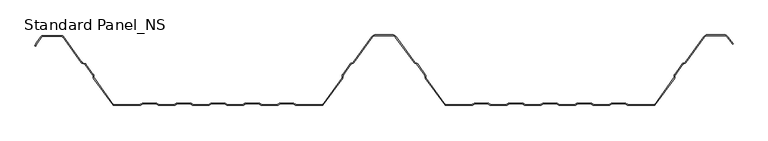
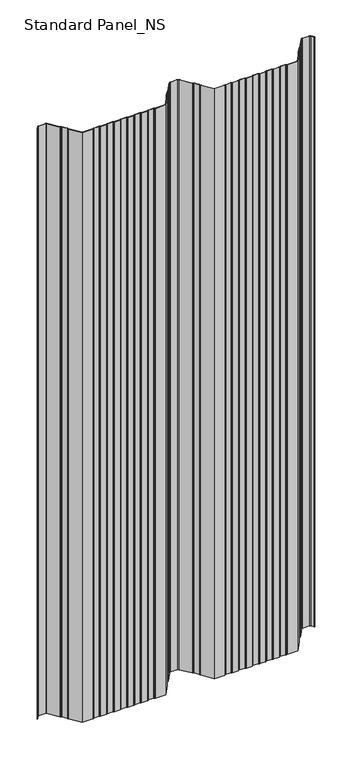
"""IFC4 building model written with IfcOpenShell, lengths in millimetres: proxy geometry, Standard Panel_NS."""

from ifc_helpers import new_model, si_unit, point, frame, frame_2d, origin, place, context, project, spatial, polyline, circle_curve, trimmed, segment, composite_curve, outline, extrude, source, transform, mapped, element, save


def standard_panel_ns_dc943c6c(model_context):
    return source(origin(), model_context, "Body", "SweptSolid", [
        extrude(outline(composite_curve([segment(trimmed(circle_curve(frame_2d((-475.5977664, 97.2513951)), 2.7486049), [point((-477.8230656, 98.864737))], [point((-475.5977664, 100.0))], False, "CARTESIAN"), True, "CONTINUOUS"), segment(polyline([(-475.5977664, 100.0), (-448.4022336, 100.0)]), True, "CONTINUOUS"), segment(trimmed(circle_curve(frame_2d((-448.4022336, 97.2513951)), 2.7486049), [point((-448.4022336, 100.0))], [point((-446.1769344, 98.864737))], False, "CARTESIAN"), True, "CONTINUOUS"), segment(polyline([(-446.1769344, 98.864737), (-419.3812187, 61.9051293)]), True, "CONTINUOUS"), segment(trimmed(circle_curve(frame_2d((-417.96553, 62.9315037)), 1.7486049), [point((-419.3812187, 61.9051293))], [point((-418.5741242, 61.2922257))], True, "CARTESIAN"), True, "CONTINUOUS"), segment(polyline([(-418.5741242, 61.2922257), (-414.780451, 59.8837962)]), True, "CONTINUOUS"), segment(trimmed(circle_curve(frame_2d((-415.7370908, 57.3070406)), 2.7486049), [point((-414.780451, 59.8837962))], [point((-413.5117915, 58.9203825))], False, "CARTESIAN"), True, "CONTINUOUS"), segment(polyline([(-413.5117915, 58.9203825), (-402.7622541, 44.0934344)]), True, "CONTINUOUS"), segment(trimmed(circle_curve(frame_2d((-404.9875533, 42.4800924)), 2.7486049), [point((-402.7622541, 44.0934344))], [point((-402.2410714, 42.5881001))], False, "CARTESIAN"), True, "CONTINUOUS"), segment(polyline([(-402.2410714, 42.5881001), (-402.152896, 40.3459275)]), True, "CONTINUOUS"), segment(trimmed(circle_curve(frame_2d((-400.4056417, 40.4146398)), 1.7486049), [point((-402.152896, 40.3459275))], [point((-401.8213305, 39.3882654))], True, "CARTESIAN"), True, "CONTINUOUS"), segment(polyline([(-401.8213305, 39.3882654), (-373.9898381, 1.0), (-336.1655439, 1.0)]), True, "CONTINUOUS"), segment(trimmed(circle_curve(frame_2d((-336.1655439, 2.7486049)), 1.7486049), [point((-336.1655439, 1.0))], [point((-335.1955925, 1.2936777))], True, "CARTESIAN"), True, "CONTINUOUS"), segment(polyline([(-335.1955925, 1.2936777), (-333.32855, 2.5383726)]), True, "CONTINUOUS"), segment(trimmed(circle_curve(frame_2d((-331.8038984, 0.2513951)), 2.7486049), [point((-333.32855, 2.5383726))], [point((-331.8038984, 3.0))], False, "CARTESIAN"), True, "CONTINUOUS"), segment(polyline([(-331.8038984, 3.0), (-312.8627683, 3.0)]), True, "CONTINUOUS"), segment(trimmed(circle_curve(frame_2d((-312.8627683, 0.2513951)), 2.7486049), [point((-312.8627683, 3.0))], [point((-311.3381166, 2.5383726))], False, "CARTESIAN"), True, "CONTINUOUS"), segment(polyline([(-311.3381166, 2.5383726), (-309.4710742, 1.2936777)]), True, "CONTINUOUS"), segment(trimmed(circle_curve(frame_2d((-308.5011227, 2.7486049)), 1.7486049), [point((-309.4710742, 1.2936777))], [point((-308.5011227, 1.0))], True, "CARTESIAN"), True, "CONTINUOUS"), segment(polyline([(-308.5011227, 1.0), (-286.9988773, 1.0)]), True, "CONTINUOUS"), segment(trimmed(circle_curve(frame_2d((-286.9988773, 2.7486049)), 1.7486049), [point((-286.9988773, 1.0))], [point((-286.0289258, 1.2936777))], True, "CARTESIAN"), True, "CONTINUOUS"), segment(polyline([(-286.0289258, 1.2936777), (-284.1618834, 2.5383726)]), True, "CONTINUOUS"), segment(trimmed(circle_curve(frame_2d((-282.6372317, 0.2513951)), 2.7486049), [point((-284.1618834, 2.5383726))], [point((-282.6372317, 3.0))], False, "CARTESIAN"), True, "CONTINUOUS"), segment(polyline([(-282.6372317, 3.0), (-263.6961016, 3.0)]), True, "CONTINUOUS"), segment(trimmed(circle_curve(frame_2d((-263.6961016, 0.2513951)), 2.7486049), [point((-263.6961016, 3.0))], [point((-262.17145, 2.5383726))], False, "CARTESIAN"), True, "CONTINUOUS"), segment(polyline([(-262.17145, 2.5383726), (-260.3044075, 1.2936777)]), True, "CONTINUOUS"), segment(trimmed(circle_curve(frame_2d((-259.3344561, 2.7486049)), 1.7486049), [point((-260.3044075, 1.2936777))], [point((-259.3344561, 1.0))], True, "CARTESIAN"), True, "CONTINUOUS"), segment(polyline([(-259.3344561, 1.0), (-237.8322106, 1.0)]), True, "CONTINUOUS"), segment(trimmed(circle_curve(frame_2d((-237.8322106, 2.7486049)), 1.7486049), [point((-237.8322106, 1.0))], [point((-236.8622591, 1.2936777))], True, "CARTESIAN"), True, "CONTINUOUS"), segment(polyline([(-236.8622591, 1.2936777), (-234.9952167, 2.5383726)]), True, "CONTINUOUS"), segment(trimmed(circle_curve(frame_2d((-233.470565, 0.2513951)), 2.7486049), [point((-234.9952167, 2.5383726))], [point((-233.470565, 3.0))], False, "CARTESIAN"), True, "CONTINUOUS"), segment(polyline([(-233.470565, 3.0), (-214.529435, 3.0)]), True, "CONTINUOUS"), segment(trimmed(circle_curve(frame_2d((-214.529435, 0.2513951)), 2.7486049), [point((-214.529435, 3.0))], [point((-213.0047833, 2.5383726))], False, "CARTESIAN"), True, "CONTINUOUS"), segment(polyline([(-213.0047833, 2.5383726), (-211.1377409, 1.2936777)]), True, "CONTINUOUS"), segment(trimmed(circle_curve(frame_2d((-210.1677894, 2.7486049)), 1.7486049), [point((-211.1377409, 1.2936777))], [point((-210.1677894, 1.0))], True, "CARTESIAN"), True, "CONTINUOUS"), segment(polyline([(-210.1677894, 1.0), (-188.6655439, 1.0)]), True, "CONTINUOUS"), segment(trimmed(circle_curve(frame_2d((-188.6655439, 2.7486049)), 1.7486049), [point((-188.6655439, 1.0))], [point((-187.6955925, 1.2936777))], True, "CARTESIAN"), True, "CONTINUOUS"), segment(polyline([(-187.6955925, 1.2936777), (-185.82855, 2.5383726)]), True, "CONTINUOUS"), segment(trimmed(circle_curve(frame_2d((-184.3038984, 0.2513951)), 2.7486049), [point((-185.82855, 2.5383726))], [point((-184.3038984, 3.0))], False, "CARTESIAN"), True, "CONTINUOUS"), segment(polyline([(-184.3038984, 3.0), (-165.3627683, 3.0)]), True, "CONTINUOUS"), segment(trimmed(circle_curve(frame_2d((-165.3627683, 0.2513951)), 2.7486049), [point((-165.3627683, 3.0))], [point((-163.8381166, 2.5383726))], False, "CARTESIAN"), True, "CONTINUOUS"), segment(polyline([(-163.8381166, 2.5383726), (-161.9710742, 1.2936777)]), True, "CONTINUOUS"), segment(trimmed(circle_curve(frame_2d((-161.0011227, 2.7486049)), 1.7486049), [point((-161.9710742, 1.2936777))], [point((-161.0011227, 1.0))], True, "CARTESIAN"), True, "CONTINUOUS"), segment(polyline([(-161.0011227, 1.0), (-139.4988773, 1.0)]), True, "CONTINUOUS"), segment(trimmed(circle_curve(frame_2d((-139.4988773, 2.7486049)), 1.7486049), [point((-139.4988773, 1.0))], [point((-138.5289258, 1.2936777))], True, "CARTESIAN"), True, "CONTINUOUS"), segment(polyline([(-138.5289258, 1.2936777), (-136.6618834, 2.5383726)]), True, "CONTINUOUS"), segment(trimmed(circle_curve(frame_2d((-135.1372317, 0.2513951)), 2.7486049), [point((-136.6618834, 2.5383726))], [point((-135.1372317, 3.0))], False, "CARTESIAN"), True, "CONTINUOUS"), segment(polyline([(-135.1372317, 3.0), (-116.1961016, 3.0)]), True, "CONTINUOUS"), segment(trimmed(circle_curve(frame_2d((-116.1961016, 0.2513951)), 2.7486049), [point((-116.1961016, 3.0))], [point((-114.67145, 2.5383726))], False, "CARTESIAN"), True, "CONTINUOUS"), segment(polyline([(-114.67145, 2.5383726), (-112.8044075, 1.2936777)]), True, "CONTINUOUS"), segment(trimmed(circle_curve(frame_2d((-111.8344561, 2.7486049)), 1.7486049), [point((-112.8044075, 1.2936777))], [point((-111.8344561, 1.0))], True, "CARTESIAN"), True, "CONTINUOUS"), segment(polyline([(-111.8344561, 1.0), (-74.0101619, 1.0), (-46.1786695, 39.3882654)]), True, "CONTINUOUS"), segment(trimmed(circle_curve(frame_2d((-47.5943583, 40.4146398)), 1.7486049), [point((-46.1786695, 39.3882654))], [point((-45.847104, 40.3459275))], True, "CARTESIAN"), True, "CONTINUOUS"), segment(polyline([(-45.847104, 40.3459275), (-45.7589286, 42.5881001)]), True, "CONTINUOUS"), segment(trimmed(circle_curve(frame_2d((-43.0124467, 42.4800924)), 2.7486049), [point((-45.7589286, 42.5881001))], [point((-45.2377459, 44.0934344))], False, "CARTESIAN"), True, "CONTINUOUS"), segment(polyline([(-45.2377459, 44.0934344), (-34.1199168, 59.4283711)]), True, "CONTINUOUS"), segment(trimmed(circle_curve(frame_2d((-31.8946175, 57.8150291)), 2.7486049), [point((-34.1199168, 59.4283711))], [point((-32.8512573, 60.3917847))], False, "CARTESIAN"), True, "CONTINUOUS"), segment(polyline([(-32.8512573, 60.3917847), (-30.747646, 61.1727662)]), True, "CONTINUOUS"), segment(trimmed(circle_curve(frame_2d((-31.3562402, 62.8120441)), 1.7486049), [point((-30.747646, 61.1727662))], [point((-29.9405514, 61.7856697))], True, "CARTESIAN"), True, "CONTINUOUS"), segment(polyline([(-29.9405514, 61.7856697), (-3.306853, 98.5218054)]), True, "CONTINUOUS"), segment(trimmed(circle_curve(frame_2d((1.5508097, 95.0)), 6.0), [point((-3.306853, 98.5218054))], [point((1.5508097, 101.0))], False, "CARTESIAN"), True, "CONTINUOUS"), segment(polyline([(1.5508097, 101.0), (26.4491903, 101.0)]), True, "CONTINUOUS"), segment(trimmed(circle_curve(frame_2d((26.4491903, 95.0)), 6.0), [point((26.4491903, 101.0))], [point((31.306853, 98.5218054))], False, "CARTESIAN"), True, "CONTINUOUS"), segment(polyline([(31.306853, 98.5218054), (57.9405514, 61.7856697)]), True, "CONTINUOUS"), segment(trimmed(circle_curve(frame_2d((59.3562402, 62.8120441)), 1.7486049), [point((57.9405514, 61.7856697))], [point((58.747646, 61.1727662))], True, "CARTESIAN"), True, "CONTINUOUS"), segment(polyline([(58.747646, 61.1727662), (60.8512573, 60.3917847)]), True, "CONTINUOUS"), segment(trimmed(circle_curve(frame_2d((59.8946175, 57.8150291)), 2.7486049), [point((60.8512573, 60.3917847))], [point((62.1199168, 59.4283711))], False, "CARTESIAN"), True, "CONTINUOUS"), segment(polyline([(62.1199168, 59.4283711), (73.2377459, 44.0934344)]), True, "CONTINUOUS"), segment(trimmed(circle_curve(frame_2d((71.0124467, 42.4800924)), 2.7486049), [point((73.2377459, 44.0934344))], [point((73.7589286, 42.5881001))], False, "CARTESIAN"), True, "CONTINUOUS"), segment(polyline([(73.7589286, 42.5881001), (73.847104, 40.3459275)]), True, "CONTINUOUS"), segment(trimmed(circle_curve(frame_2d((75.5943583, 40.4146398)), 1.7486049), [point((73.847104, 40.3459275))], [point((74.1786695, 39.3882654))], True, "CARTESIAN"), True, "CONTINUOUS"), segment(polyline([(74.1786695, 39.3882654), (102.0101619, 1.0), (139.8344561, 1.0)]), True, "CONTINUOUS"), segment(trimmed(circle_curve(frame_2d((139.8344561, 2.7486049)), 1.7486049), [point((139.8344561, 1.0))], [point((140.8044075, 1.2936777))], True, "CARTESIAN"), True, "CONTINUOUS"), segment(polyline([(140.8044075, 1.2936777), (142.67145, 2.5383726)]), True, "CONTINUOUS"), segment(trimmed(circle_curve(frame_2d((144.1961016, 0.2513951)), 2.7486049), [point((142.67145, 2.5383726))], [point((144.1961016, 3.0))], False, "CARTESIAN"), True, "CONTINUOUS"), segment(polyline([(144.1961016, 3.0), (163.1372317, 3.0)]), True, "CONTINUOUS"), segment(trimmed(circle_curve(frame_2d((163.1372317, 0.2513951)), 2.7486049), [point((163.1372317, 3.0))], [point((164.6618834, 2.5383726))], False, "CARTESIAN"), True, "CONTINUOUS"), segment(polyline([(164.6618834, 2.5383726), (166.5289258, 1.2936777)]), True, "CONTINUOUS"), segment(trimmed(circle_curve(frame_2d((167.4988773, 2.7486049)), 1.7486049), [point((166.5289258, 1.2936777))], [point((167.4988773, 1.0))], True, "CARTESIAN"), True, "CONTINUOUS"), segment(polyline([(167.4988773, 1.0), (189.0011227, 1.0)]), True, "CONTINUOUS"), segment(trimmed(circle_curve(frame_2d((189.0011227, 2.7486049)), 1.7486049), [point((189.0011227, 1.0))], [point((189.9710742, 1.2936777))], True, "CARTESIAN"), True, "CONTINUOUS"), segment(polyline([(189.9710742, 1.2936777), (191.8381166, 2.5383726)]), True, "CONTINUOUS"), segment(trimmed(circle_curve(frame_2d((193.3627683, 0.2513951)), 2.7486049), [point((191.8381166, 2.5383726))], [point((193.3627683, 3.0))], False, "CARTESIAN"), True, "CONTINUOUS"), segment(polyline([(193.3627683, 3.0), (212.3038984, 3.0)]), True, "CONTINUOUS"), segment(trimmed(circle_curve(frame_2d((212.3038984, 0.2513951)), 2.7486049), [point((212.3038984, 3.0))], [point((213.82855, 2.5383726))], False, "CARTESIAN"), True, "CONTINUOUS"), segment(polyline([(213.82855, 2.5383726), (215.6955925, 1.2936777)]), True, "CONTINUOUS"), segment(trimmed(circle_curve(frame_2d((216.6655439, 2.7486049)), 1.7486049), [point((215.6955925, 1.2936777))], [point((216.6655439, 1.0))], True, "CARTESIAN"), True, "CONTINUOUS"), segment(polyline([(216.6655439, 1.0), (238.1677894, 1.0)]), True, "CONTINUOUS"), segment(trimmed(circle_curve(frame_2d((238.1677894, 2.7486049)), 1.7486049), [point((238.1677894, 1.0))], [point((239.1377409, 1.2936777))], True, "CARTESIAN"), True, "CONTINUOUS"), segment(polyline([(239.1377409, 1.2936777), (241.0047833, 2.5383726)]), True, "CONTINUOUS"), segment(trimmed(circle_curve(frame_2d((242.529435, 0.2513951)), 2.7486049), [point((241.0047833, 2.5383726))], [point((242.529435, 3.0))], False, "CARTESIAN"), True, "CONTINUOUS"), segment(polyline([(242.529435, 3.0), (261.470565, 3.0)]), True, "CONTINUOUS"), segment(trimmed(circle_curve(frame_2d((261.470565, 0.2513951)), 2.7486049), [point((261.470565, 3.0))], [point((262.9952167, 2.5383726))], False, "CARTESIAN"), True, "CONTINUOUS"), segment(polyline([(262.9952167, 2.5383726), (264.8622591, 1.2936777)]), True, "CONTINUOUS"), segment(trimmed(circle_curve(frame_2d((265.8322106, 2.7486049)), 1.7486049), [point((264.8622591, 1.2936777))], [point((265.8322106, 1.0))], True, "CARTESIAN"), True, "CONTINUOUS"), segment(polyline([(265.8322106, 1.0), (287.3344561, 1.0)]), True, "CONTINUOUS"), segment(trimmed(circle_curve(frame_2d((287.3344561, 2.7486049)), 1.7486049), [point((287.3344561, 1.0))], [point((288.3044075, 1.2936777))], True, "CARTESIAN"), True, "CONTINUOUS"), segment(polyline([(288.3044075, 1.2936777), (290.17145, 2.5383726)]), True, "CONTINUOUS"), segment(trimmed(circle_curve(frame_2d((291.6961016, 0.2513951)), 2.7486049), [point((290.17145, 2.5383726))], [point((291.6961016, 3.0))], False, "CARTESIAN"), True, "CONTINUOUS"), segment(polyline([(291.6961016, 3.0), (310.6372317, 3.0)]), True, "CONTINUOUS"), segment(trimmed(circle_curve(frame_2d((310.6372317, 0.2513951)), 2.7486049), [point((310.6372317, 3.0))], [point((312.1618834, 2.5383726))], False, "CARTESIAN"), True, "CONTINUOUS"), segment(polyline([(312.1618834, 2.5383726), (314.0289258, 1.2936777)]), True, "CONTINUOUS"), segment(trimmed(circle_curve(frame_2d((314.9988773, 2.7486049)), 1.7486049), [point((314.0289258, 1.2936777))], [point((314.9988773, 1.0))], True, "CARTESIAN"), True, "CONTINUOUS"), segment(polyline([(314.9988773, 1.0), (336.5011227, 1.0)]), True, "CONTINUOUS"), segment(trimmed(circle_curve(frame_2d((336.5011227, 2.7486049)), 1.7486049), [point((336.5011227, 1.0))], [point((337.4710742, 1.2936777))], True, "CARTESIAN"), True, "CONTINUOUS"), segment(polyline([(337.4710742, 1.2936777), (339.3381166, 2.5383726)]), True, "CONTINUOUS"), segment(trimmed(circle_curve(frame_2d((340.8627683, 0.2513951)), 2.7486049), [point((339.3381166, 2.5383726))], [point((340.8627683, 3.0))], False, "CARTESIAN"), True, "CONTINUOUS"), segment(polyline([(340.8627683, 3.0), (359.8038984, 3.0)]), True, "CONTINUOUS"), segment(trimmed(circle_curve(frame_2d((359.8038984, 0.2513951)), 2.7486049), [point((359.8038984, 3.0))], [point((361.32855, 2.5383726))], False, "CARTESIAN"), True, "CONTINUOUS"), segment(polyline([(361.32855, 2.5383726), (363.1955925, 1.2936777)]), True, "CONTINUOUS"), segment(trimmed(circle_curve(frame_2d((364.1655439, 2.7486049)), 1.7486049), [point((363.1955925, 1.2936777))], [point((364.1655439, 1.0))], True, "CARTESIAN"), True, "CONTINUOUS"), segment(polyline([(364.1655439, 1.0), (401.9898381, 1.0), (429.8213305, 39.3882654)]), True, "CONTINUOUS"), segment(trimmed(circle_curve(frame_2d((428.4056417, 40.4146398)), 1.7486049), [point((429.8213305, 39.3882654))], [point((430.152896, 40.3459275))], True, "CARTESIAN"), True, "CONTINUOUS"), segment(polyline([(430.152896, 40.3459275), (430.2410714, 42.5881001)]), True, "CONTINUOUS"), segment(trimmed(circle_curve(frame_2d((432.9875533, 42.4800924)), 2.7486049), [point((430.2410714, 42.5881001))], [point((430.7622541, 44.0934344))], False, "CARTESIAN"), True, "CONTINUOUS"), segment(polyline([(430.7622541, 44.0934344), (441.8800832, 59.4283711)]), True, "CONTINUOUS"), segment(trimmed(circle_curve(frame_2d((444.1053825, 57.8150291)), 2.7486049), [point((441.8800832, 59.4283711))], [point((443.1487427, 60.3917847))], False, "CARTESIAN"), True, "CONTINUOUS"), segment(polyline([(443.1487427, 60.3917847), (445.252354, 61.1727662)]), True, "CONTINUOUS"), segment(trimmed(circle_curve(frame_2d((444.6437598, 62.8120441)), 1.7486049), [point((445.252354, 61.1727662))], [point((446.0594486, 61.7856697))], True, "CARTESIAN"), True, "CONTINUOUS"), segment(polyline([(446.0594486, 61.7856697), (472.693147, 98.5218054)]), True, "CONTINUOUS"), segment(trimmed(circle_curve(frame_2d((477.5508097, 95.0)), 6.0), [point((472.693147, 98.5218054))], [point((477.5508097, 101.0))], False, "CARTESIAN"), True, "CONTINUOUS"), segment(polyline([(477.5508097, 101.0), (502.4491903, 101.0)]), True, "CONTINUOUS"), segment(trimmed(circle_curve(frame_2d((502.4491903, 95.0)), 6.0), [point((502.4491903, 101.0))], [point((507.306853, 98.5218054))], False, "CARTESIAN"), True, "CONTINUOUS"), segment(polyline([(507.306853, 98.5218054), (514.614124, 88.4428109), (513.8045136, 87.8558433), (506.4972426, 97.9348379)]), True, "CONTINUOUS"), segment(trimmed(circle_curve(frame_2d((502.4491903, 95.0)), 5.0), [point((506.4972426, 97.9348379))], [point((502.4491903, 100.0))], True, "CARTESIAN"), True, "CONTINUOUS"), segment(polyline([(502.4491903, 100.0), (477.5508097, 100.0)]), True, "CONTINUOUS"), segment(trimmed(circle_curve(frame_2d((477.5508097, 95.0)), 5.0), [point((477.5508097, 100.0))], [point((473.5027574, 97.9348379))], True, "CARTESIAN"), True, "CONTINUOUS"), segment(polyline([(473.5027574, 97.9348379), (446.8690591, 61.1987022)]), True, "CONTINUOUS"), segment(trimmed(circle_curve(frame_2d((444.6437598, 62.8120441)), 2.7486049), [point((446.8690591, 61.1987022))], [point((445.6003996, 60.2352885))], False, "CARTESIAN"), True, "CONTINUOUS"), segment(polyline([(445.6003996, 60.2352885), (443.4967883, 59.4543071)]), True, "CONTINUOUS"), segment(trimmed(circle_curve(frame_2d((444.1053825, 57.8150291)), 1.7486049), [point((443.4967883, 59.4543071))], [point((442.6896937, 58.8414035))], True, "CARTESIAN"), True, "CONTINUOUS"), segment(polyline([(442.6896937, 58.8414035), (431.5718646, 43.5064668)]), True, "CONTINUOUS"), segment(trimmed(circle_curve(frame_2d((432.9875533, 42.4800924)), 1.7486049), [point((431.5718646, 43.5064668))], [point((431.240299, 42.5488047))], True, "CARTESIAN"), True, "CONTINUOUS"), segment(polyline([(431.240299, 42.5488047), (431.1521237, 40.3066321)]), True, "CONTINUOUS"), segment(trimmed(circle_curve(frame_2d((428.4056417, 40.4146398)), 2.7486049), [point((431.1521237, 40.3066321))], [point((430.6309409, 38.8012978))], False, "CARTESIAN"), True, "CONTINUOUS"), segment(polyline([(430.6309409, 38.8012978), (402.5, 0.0), (364.1655439, 0.0)]), True, "CONTINUOUS"), segment(trimmed(circle_curve(frame_2d((364.1655439, 2.7486049)), 2.7486049), [point((364.1655439, 0.0))], [point((362.6408923, 0.4616274))], False, "CARTESIAN"), True, "CONTINUOUS"), segment(polyline([(362.6408923, 0.4616274), (360.7738498, 1.7063223)]), True, "CONTINUOUS"), segment(trimmed(circle_curve(frame_2d((359.8038984, 0.2513951)), 1.7486049), [point((360.7738498, 1.7063223))], [point((359.8038984, 2.0))], True, "CARTESIAN"), True, "CONTINUOUS"), segment(polyline([(359.8038984, 2.0), (340.8627683, 2.0)]), True, "CONTINUOUS"), segment(trimmed(circle_curve(frame_2d((340.8627683, 0.2513951)), 1.7486049), [point((340.8627683, 2.0))], [point((339.8928168, 1.7063223))], True, "CARTESIAN"), True, "CONTINUOUS"), segment(polyline([(339.8928168, 1.7063223), (338.0257744, 0.4616274)]), True, "CONTINUOUS"), segment(trimmed(circle_curve(frame_2d((336.5011227, 2.7486049)), 2.7486049), [point((338.0257744, 0.4616274))], [point((336.5011227, 0.0))], False, "CARTESIAN"), True, "CONTINUOUS"), segment(polyline([(336.5011227, 0.0), (314.9988773, 0.0)]), True, "CONTINUOUS"), segment(trimmed(circle_curve(frame_2d((314.9988773, 2.7486049)), 2.7486049), [point((314.9988773, 0.0))], [point((313.4742256, 0.4616274))], False, "CARTESIAN"), True, "CONTINUOUS"), segment(polyline([(313.4742256, 0.4616274), (311.6071832, 1.7063223)]), True, "CONTINUOUS"), segment(trimmed(circle_curve(frame_2d((310.6372317, 0.2513951)), 1.7486049), [point((311.6071832, 1.7063223))], [point((310.6372317, 2.0))], True, "CARTESIAN"), True, "CONTINUOUS"), segment(polyline([(310.6372317, 2.0), (291.6961016, 2.0)]), True, "CONTINUOUS"), segment(trimmed(circle_curve(frame_2d((291.6961016, 0.2513951)), 1.7486049), [point((291.6961016, 2.0))], [point((290.7261502, 1.7063223))], True, "CARTESIAN"), True, "CONTINUOUS"), segment(polyline([(290.7261502, 1.7063223), (288.8591077, 0.4616274)]), True, "CONTINUOUS"), segment(trimmed(circle_curve(frame_2d((287.3344561, 2.7486049)), 2.7486049), [point((288.8591077, 0.4616274))], [point((287.3344561, 0.0))], False, "CARTESIAN"), True, "CONTINUOUS"), segment(polyline([(287.3344561, 0.0), (265.8322106, 0.0)]), True, "CONTINUOUS"), segment(trimmed(circle_curve(frame_2d((265.8322106, 2.7486049)), 2.7486049), [point((265.8322106, 0.0))], [point((264.3075589, 0.4616274))], False, "CARTESIAN"), True, "CONTINUOUS"), segment(polyline([(264.3075589, 0.4616274), (262.4405165, 1.7063223)]), True, "CONTINUOUS"), segment(trimmed(circle_curve(frame_2d((261.470565, 0.2513951)), 1.7486049), [point((262.4405165, 1.7063223))], [point((261.470565, 2.0))], True, "CARTESIAN"), True, "CONTINUOUS"), segment(polyline([(261.470565, 2.0), (242.529435, 2.0)]), True, "CONTINUOUS"), segment(trimmed(circle_curve(frame_2d((242.529435, 0.2513951)), 1.7486049), [point((242.529435, 2.0))], [point((241.5594835, 1.7063223))], True, "CARTESIAN"), True, "CONTINUOUS"), segment(polyline([(241.5594835, 1.7063223), (239.6924411, 0.4616274)]), True, "CONTINUOUS"), segment(trimmed(circle_curve(frame_2d((238.1677894, 2.7486049)), 2.7486049), [point((239.6924411, 0.4616274))], [point((238.1677894, 0.0))], False, "CARTESIAN"), True, "CONTINUOUS"), segment(polyline([(238.1677894, 0.0), (216.6655439, 0.0)]), True, "CONTINUOUS"), segment(trimmed(circle_curve(frame_2d((216.6655439, 2.7486049)), 2.7486049), [point((216.6655439, 0.0))], [point((215.1408923, 0.4616274))], False, "CARTESIAN"), True, "CONTINUOUS"), segment(polyline([(215.1408923, 0.4616274), (213.2738498, 1.7063223)]), True, "CONTINUOUS"), segment(trimmed(circle_curve(frame_2d((212.3038984, 0.2513951)), 1.7486049), [point((213.2738498, 1.7063223))], [point((212.3038984, 2.0))], True, "CARTESIAN"), True, "CONTINUOUS"), segment(polyline([(212.3038984, 2.0), (193.3627683, 2.0)]), True, "CONTINUOUS"), segment(trimmed(circle_curve(frame_2d((193.3627683, 0.2513951)), 1.7486049), [point((193.3627683, 2.0))], [point((192.3928168, 1.7063223))], True, "CARTESIAN"), True, "CONTINUOUS"), segment(polyline([(192.3928168, 1.7063223), (190.5257744, 0.4616274)]), True, "CONTINUOUS"), segment(trimmed(circle_curve(frame_2d((189.0011227, 2.7486049)), 2.7486049), [point((190.5257744, 0.4616274))], [point((189.0011227, 0.0))], False, "CARTESIAN"), True, "CONTINUOUS"), segment(polyline([(189.0011227, 0.0), (167.4988773, 0.0)]), True, "CONTINUOUS"), segment(trimmed(circle_curve(frame_2d((167.4988773, 2.7486049)), 2.7486049), [point((167.4988773, 0.0))], [point((165.9742256, 0.4616274))], False, "CARTESIAN"), True, "CONTINUOUS"), segment(polyline([(165.9742256, 0.4616274), (164.1071832, 1.7063223)]), True, "CONTINUOUS"), segment(trimmed(circle_curve(frame_2d((163.1372317, 0.2513951)), 1.7486049), [point((164.1071832, 1.7063223))], [point((163.1372317, 2.0))], True, "CARTESIAN"), True, "CONTINUOUS"), segment(polyline([(163.1372317, 2.0), (144.1961016, 2.0)]), True, "CONTINUOUS"), segment(trimmed(circle_curve(frame_2d((144.1961016, 0.2513951)), 1.7486049), [point((144.1961016, 2.0))], [point((143.2261502, 1.7063223))], True, "CARTESIAN"), True, "CONTINUOUS"), segment(polyline([(143.2261502, 1.7063223), (141.3591077, 0.4616274)]), True, "CONTINUOUS"), segment(trimmed(circle_curve(frame_2d((139.8344561, 2.7486049)), 2.7486049), [point((141.3591077, 0.4616274))], [point((139.8344561, 0.0))], False, "CARTESIAN"), True, "CONTINUOUS"), segment(polyline([(139.8344561, 0.0), (101.5, 0.0), (73.3690591, 38.8012978)]), True, "CONTINUOUS"), segment(trimmed(circle_curve(frame_2d((75.5943583, 40.4146398)), 2.7486049), [point((73.3690591, 38.8012978))], [point((72.8478763, 40.3066321))], False, "CARTESIAN"), True, "CONTINUOUS"), segment(polyline([(72.8478763, 40.3066321), (72.759701, 42.5488047)]), True, "CONTINUOUS"), segment(trimmed(circle_curve(frame_2d((71.0124467, 42.4800924)), 1.7486049), [point((72.759701, 42.5488047))], [point((72.4281354, 43.5064668))], True, "CARTESIAN"), True, "CONTINUOUS"), segment(polyline([(72.4281354, 43.5064668), (61.3103063, 58.8414035)]), True, "CONTINUOUS"), segment(trimmed(circle_curve(frame_2d((59.8946175, 57.8150291)), 1.7486049), [point((61.3103063, 58.8414035))], [point((60.5032117, 59.4543071))], True, "CARTESIAN"), True, "CONTINUOUS"), segment(polyline([(60.5032117, 59.4543071), (58.3996004, 60.2352885)]), True, "CONTINUOUS"), segment(trimmed(circle_curve(frame_2d((59.3562402, 62.8120441)), 2.7486049), [point((58.3996004, 60.2352885))], [point((57.1309409, 61.1987022))], False, "CARTESIAN"), True, "CONTINUOUS"), segment(polyline([(57.1309409, 61.1987022), (30.4972426, 97.9348379)]), True, "CONTINUOUS"), segment(trimmed(circle_curve(frame_2d((26.4491903, 95.0)), 5.0), [point((30.4972426, 97.9348379))], [point((26.4491903, 100.0))], True, "CARTESIAN"), True, "CONTINUOUS"), segment(polyline([(26.4491903, 100.0), (1.5508097, 100.0)]), True, "CONTINUOUS"), segment(trimmed(circle_curve(frame_2d((1.5508097, 95.0)), 5.0), [point((1.5508097, 100.0))], [point((-2.4972426, 97.9348379))], True, "CARTESIAN"), True, "CONTINUOUS"), segment(polyline([(-2.4972426, 97.9348379), (-29.1309409, 61.1987022)]), True, "CONTINUOUS"), segment(trimmed(circle_curve(frame_2d((-31.3562402, 62.8120441)), 2.7486049), [point((-29.1309409, 61.1987022))], [point((-30.3996004, 60.2352885))], False, "CARTESIAN"), True, "CONTINUOUS"), segment(polyline([(-30.3996004, 60.2352885), (-32.5032117, 59.4543071)]), True, "CONTINUOUS"), segment(trimmed(circle_curve(frame_2d((-31.8946175, 57.8150291)), 1.7486049), [point((-32.5032117, 59.4543071))], [point((-33.3103063, 58.8414035))], True, "CARTESIAN"), True, "CONTINUOUS"), segment(polyline([(-33.3103063, 58.8414035), (-44.4281354, 43.5064668)]), True, "CONTINUOUS"), segment(trimmed(circle_curve(frame_2d((-43.0124467, 42.4800924)), 1.7486049), [point((-44.4281354, 43.5064668))], [point((-44.759701, 42.5488047))], True, "CARTESIAN"), True, "CONTINUOUS"), segment(polyline([(-44.759701, 42.5488047), (-44.8478763, 40.3066321)]), True, "CONTINUOUS"), segment(trimmed(circle_curve(frame_2d((-47.5943583, 40.4146398)), 2.7486049), [point((-44.8478763, 40.3066321))], [point((-45.3690591, 38.8012978))], False, "CARTESIAN"), True, "CONTINUOUS"), segment(polyline([(-45.3690591, 38.8012978), (-73.5, 0.0), (-111.8344561, 0.0)]), True, "CONTINUOUS"), segment(trimmed(circle_curve(frame_2d((-111.8344561, 2.7486049)), 2.7486049), [point((-111.8344561, 0.0))], [point((-113.3591077, 0.4616274))], False, "CARTESIAN"), True, "CONTINUOUS"), segment(polyline([(-113.3591077, 0.4616274), (-115.2261502, 1.7063223)]), True, "CONTINUOUS"), segment(trimmed(circle_curve(frame_2d((-116.1961016, 0.2513951)), 1.7486049), [point((-115.2261502, 1.7063223))], [point((-116.1961016, 2.0))], True, "CARTESIAN"), True, "CONTINUOUS"), segment(polyline([(-116.1961016, 2.0), (-135.1372317, 2.0)]), True, "CONTINUOUS"), segment(trimmed(circle_curve(frame_2d((-135.1372317, 0.2513951)), 1.7486049), [point((-135.1372317, 2.0))], [point((-136.1071832, 1.7063223))], True, "CARTESIAN"), True, "CONTINUOUS"), segment(polyline([(-136.1071832, 1.7063223), (-137.9742256, 0.4616274)]), True, "CONTINUOUS"), segment(trimmed(circle_curve(frame_2d((-139.4988773, 2.7486049)), 2.7486049), [point((-137.9742256, 0.4616274))], [point((-139.4988773, 0.0))], False, "CARTESIAN"), True, "CONTINUOUS"), segment(polyline([(-139.4988773, 0.0), (-161.0011227, 0.0)]), True, "CONTINUOUS"), segment(trimmed(circle_curve(frame_2d((-161.0011227, 2.7486049)), 2.7486049), [point((-161.0011227, 0.0))], [point((-162.5257744, 0.4616274))], False, "CARTESIAN"), True, "CONTINUOUS"), segment(polyline([(-162.5257744, 0.4616274), (-164.3928168, 1.7063223)]), True, "CONTINUOUS"), segment(trimmed(circle_curve(frame_2d((-165.3627683, 0.2513951)), 1.7486049), [point((-164.3928168, 1.7063223))], [point((-165.3627683, 2.0))], True, "CARTESIAN"), True, "CONTINUOUS"), segment(polyline([(-165.3627683, 2.0), (-184.3038984, 2.0)]), True, "CONTINUOUS"), segment(trimmed(circle_curve(frame_2d((-184.3038984, 0.2513951)), 1.7486049), [point((-184.3038984, 2.0))], [point((-185.2738498, 1.7063223))], True, "CARTESIAN"), True, "CONTINUOUS"), segment(polyline([(-185.2738498, 1.7063223), (-187.1408923, 0.4616274)]), True, "CONTINUOUS"), segment(trimmed(circle_curve(frame_2d((-188.6655439, 2.7486049)), 2.7486049), [point((-187.1408923, 0.4616274))], [point((-188.6655439, 0.0))], False, "CARTESIAN"), True, "CONTINUOUS"), segment(polyline([(-188.6655439, 0.0), (-210.1677894, 0.0)]), True, "CONTINUOUS"), segment(trimmed(circle_curve(frame_2d((-210.1677894, 2.7486049)), 2.7486049), [point((-210.1677894, 0.0))], [point((-211.6924411, 0.4616274))], False, "CARTESIAN"), True, "CONTINUOUS"), segment(polyline([(-211.6924411, 0.4616274), (-213.5594835, 1.7063223)]), True, "CONTINUOUS"), segment(trimmed(circle_curve(frame_2d((-214.529435, 0.2513951)), 1.7486049), [point((-213.5594835, 1.7063223))], [point((-214.529435, 2.0))], True, "CARTESIAN"), True, "CONTINUOUS"), segment(polyline([(-214.529435, 2.0), (-233.470565, 2.0)]), True, "CONTINUOUS"), segment(trimmed(circle_curve(frame_2d((-233.470565, 0.2513951)), 1.7486049), [point((-233.470565, 2.0))], [point((-234.4405165, 1.7063223))], True, "CARTESIAN"), True, "CONTINUOUS"), segment(polyline([(-234.4405165, 1.7063223), (-236.3075589, 0.4616274)]), True, "CONTINUOUS"), segment(trimmed(circle_curve(frame_2d((-237.8322106, 2.7486049)), 2.7486049), [point((-236.3075589, 0.4616274))], [point((-237.8322106, 0.0))], False, "CARTESIAN"), True, "CONTINUOUS"), segment(polyline([(-237.8322106, 0.0), (-259.3344561, 0.0)]), True, "CONTINUOUS"), segment(trimmed(circle_curve(frame_2d((-259.3344561, 2.7486049)), 2.7486049), [point((-259.3344561, 0.0))], [point((-260.8591077, 0.4616274))], False, "CARTESIAN"), True, "CONTINUOUS"), segment(polyline([(-260.8591077, 0.4616274), (-262.7261502, 1.7063223)]), True, "CONTINUOUS"), segment(trimmed(circle_curve(frame_2d((-263.6961016, 0.2513951)), 1.7486049), [point((-262.7261502, 1.7063223))], [point((-263.6961016, 2.0))], True, "CARTESIAN"), True, "CONTINUOUS"), segment(polyline([(-263.6961016, 2.0), (-282.6372317, 2.0)]), True, "CONTINUOUS"), segment(trimmed(circle_curve(frame_2d((-282.6372317, 0.2513951)), 1.7486049), [point((-282.6372317, 2.0))], [point((-283.6071832, 1.7063223))], True, "CARTESIAN"), True, "CONTINUOUS"), segment(polyline([(-283.6071832, 1.7063223), (-285.4742256, 0.4616274)]), True, "CONTINUOUS"), segment(trimmed(circle_curve(frame_2d((-286.9988773, 2.7486049)), 2.7486049), [point((-285.4742256, 0.4616274))], [point((-286.9988773, 0.0))], False, "CARTESIAN"), True, "CONTINUOUS"), segment(polyline([(-286.9988773, 0.0), (-308.5011227, 0.0)]), True, "CONTINUOUS"), segment(trimmed(circle_curve(frame_2d((-308.5011227, 2.7486049)), 2.7486049), [point((-308.5011227, 0.0))], [point((-310.0257744, 0.4616274))], False, "CARTESIAN"), True, "CONTINUOUS"), segment(polyline([(-310.0257744, 0.4616274), (-311.8928168, 1.7063223)]), True, "CONTINUOUS"), segment(trimmed(circle_curve(frame_2d((-312.8627683, 0.2513951)), 1.7486049), [point((-311.8928168, 1.7063223))], [point((-312.8627683, 2.0))], True, "CARTESIAN"), True, "CONTINUOUS"), segment(polyline([(-312.8627683, 2.0), (-331.8038984, 2.0)]), True, "CONTINUOUS"), segment(trimmed(circle_curve(frame_2d((-331.8038984, 0.2513951)), 1.7486049), [point((-331.8038984, 2.0))], [point((-332.7738498, 1.7063223))], True, "CARTESIAN"), True, "CONTINUOUS"), segment(polyline([(-332.7738498, 1.7063223), (-334.6408923, 0.4616274)]), True, "CONTINUOUS"), segment(trimmed(circle_curve(frame_2d((-336.1655439, 2.7486049)), 2.7486049), [point((-334.6408923, 0.4616274))], [point((-336.1655439, 0.0))], False, "CARTESIAN"), True, "CONTINUOUS"), segment(polyline([(-336.1655439, 0.0), (-374.5, 0.0), (-402.6309409, 38.8012978)]), True, "CONTINUOUS"), segment(trimmed(circle_curve(frame_2d((-400.4056417, 40.4146398)), 2.7486049), [point((-402.6309409, 38.8012978))], [point((-403.1521237, 40.3066321))], False, "CARTESIAN"), True, "CONTINUOUS"), segment(polyline([(-403.1521237, 40.3066321), (-403.240299, 42.5488047)]), True, "CONTINUOUS"), segment(trimmed(circle_curve(frame_2d((-404.9875533, 42.4800924)), 1.7486049), [point((-403.240299, 42.5488047))], [point((-403.5718646, 43.5064668))], True, "CARTESIAN"), True, "CONTINUOUS"), segment(polyline([(-403.5718646, 43.5064668), (-414.321402, 58.333415)]), True, "CONTINUOUS"), segment(trimmed(circle_curve(frame_2d((-415.7370908, 57.3070406)), 1.7486049), [point((-414.321402, 58.333415))], [point((-415.1284966, 58.9463185))], True, "CARTESIAN"), True, "CONTINUOUS"), segment(polyline([(-415.1284966, 58.9463185), (-418.9221697, 60.3547481)]), True, "CONTINUOUS"), segment(trimmed(circle_curve(frame_2d((-417.96553, 62.9315037)), 2.7486049), [point((-418.9221697, 60.3547481))], [point((-420.1908292, 61.3181617))], False, "CARTESIAN"), True, "CONTINUOUS"), segment(polyline([(-420.1908292, 61.3181617), (-446.9865448, 98.2777695)]), True, "CONTINUOUS"), segment(trimmed(circle_curve(frame_2d((-448.4022336, 97.2513951)), 1.7486049), [point((-446.9865448, 98.2777695))], [point((-448.4022336, 99.0))], True, "CARTESIAN"), True, "CONTINUOUS"), segment(polyline([(-448.4022336, 99.0), (-475.5977664, 99.0)]), True, "CONTINUOUS"), segment(trimmed(circle_curve(frame_2d((-475.5977664, 97.2513951)), 1.7486049), [point((-475.5977664, 99.0))], [point((-477.0134552, 98.2777695))], True, "CARTESIAN"), True, "CONTINUOUS"), segment(polyline([(-477.0134552, 98.2777695), (-483.5334489, 89.2846747), (-485.6935696, 84.9550455), (-486.5883845, 85.4014829), (-484.391455, 89.8048897), (-477.8230656, 98.864737)]), True, "CONTINUOUS")], self_intersect=False)), frame((0.0, 0.0, -250.0), z_axis=(0.0, 0.0, 1.0), x_axis=(1.0, 0.0, 0.0)), (0.0, 0.0, 1.0), 2250.0),
    ])


if __name__ == "__main__":
    model = new_model("IFC4")
    model_context = context("Model", 3, world=origin())
    ifc_project = project(units=[si_unit("LENGTHUNIT", "METRE", prefix="MILLI")], contexts=[model_context])
    site = spatial("IfcSite", under=ifc_project)
    building = spatial("IfcBuilding", under=site)
    placement = place(None, origin())
    standard_panel_ns_shape = standard_panel_ns_dc943c6c(model_context)
    element("IfcBuildingElementProxy", 1, Name="Standard Panel_NS", ObjectType="Standard Panel_NS", at=placement, inside=building, context=model_context, shape_type="MappedRepresentation", body=[
        mapped(standard_panel_ns_shape, transform((0.0, 0.0, 0.0), x_axis=(1.0, 0.0, 0.0), y_axis=(0.0, 1.0, 0.0), z_axis=(0.0, 0.0, 1.0))),
    ])
    save(model, "model.ifc")
